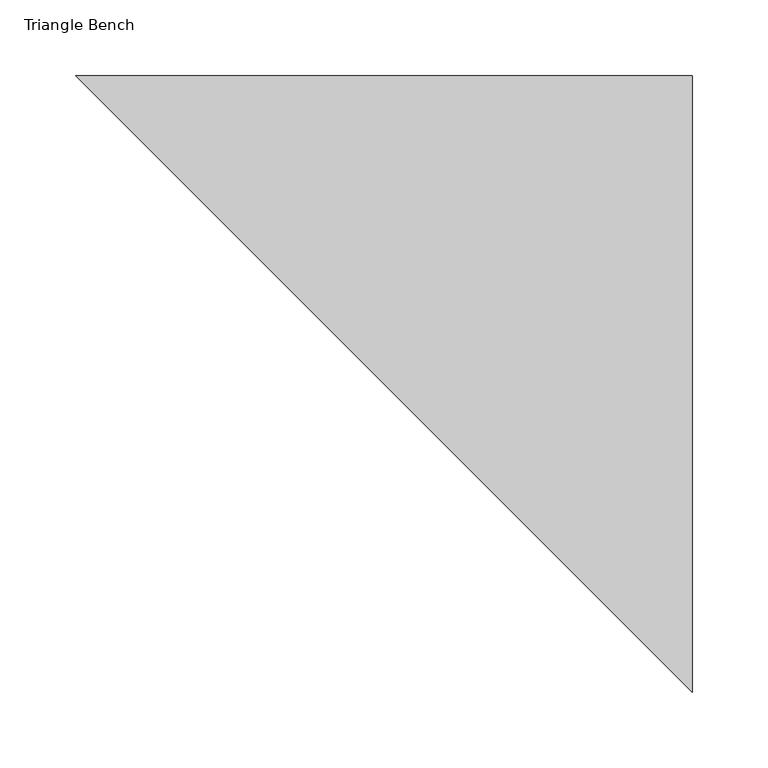
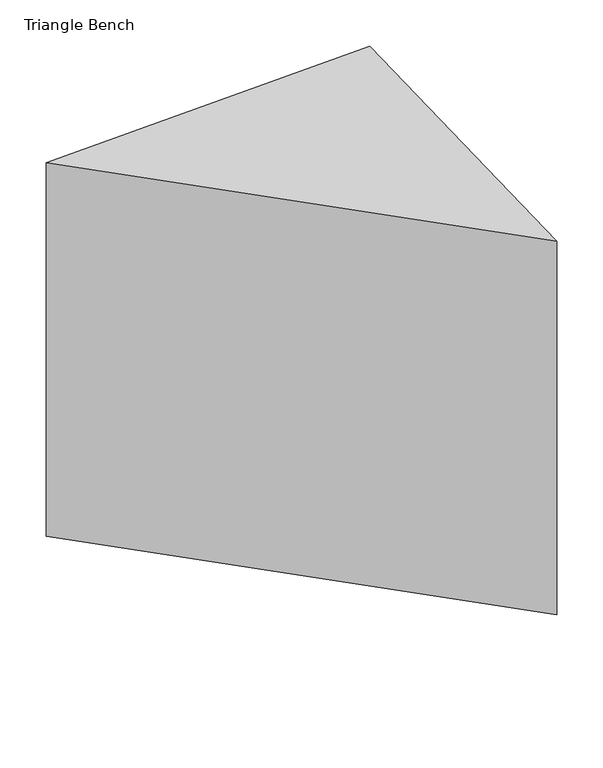
"""IFC4 building model written with IfcOpenShell, lengths in millimetres: proxy geometry, Triangle Bench."""

from ifc_helpers import new_model, si_unit, origin, place, context, project, spatial, faceted_brep, source, transform, mapped, element, save


def triangle_bench_9119eb44(model_context):
    return source(origin(), model_context, "Body", "Brep", [
        faceted_brep([(203.2, 203.2, 0.0), (203.2, -203.2, 0.0), (-203.2, 203.2, 0.0), (-203.2, 203.2, 495.3), (203.2, 203.2, 508.0), (203.2, -203.2, 495.3)], [[[0, 1, 2]], [[0, 2, 3, 4]], [[2, 1, 5, 3]], [[1, 0, 4, 5]], [[4, 3, 5]]]),
    ])


if __name__ == "__main__":
    model = new_model("IFC4")
    model_context = context("Model", 3, world=origin())
    ifc_project = project(units=[si_unit("LENGTHUNIT", "METRE", prefix="MILLI")], contexts=[model_context])
    site = spatial("IfcSite", under=ifc_project)
    building = spatial("IfcBuilding", under=site)
    placement = place(None, origin())
    triangle_bench_shape = triangle_bench_9119eb44(model_context)
    element("IfcBuildingElementProxy", 1, Name="Triangle Bench", ObjectType="Triangle Bench", at=placement, inside=building, context=model_context, shape_type="MappedRepresentation", body=[
        mapped(triangle_bench_shape, transform((0.0, 0.0, 0.0), x_axis=(1.0, 0.0, 0.0), y_axis=(0.0, 1.0, 0.0), z_axis=(0.0, 0.0, 1.0))),
    ])
    save(model, "model.ifc")
